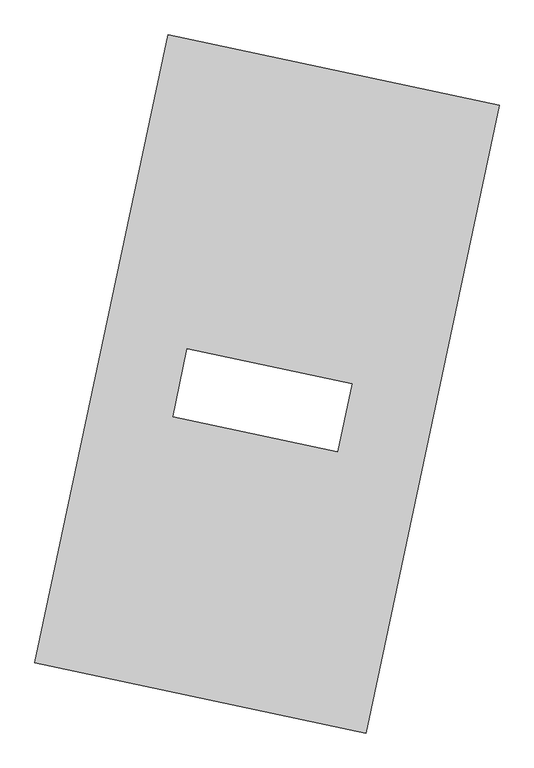
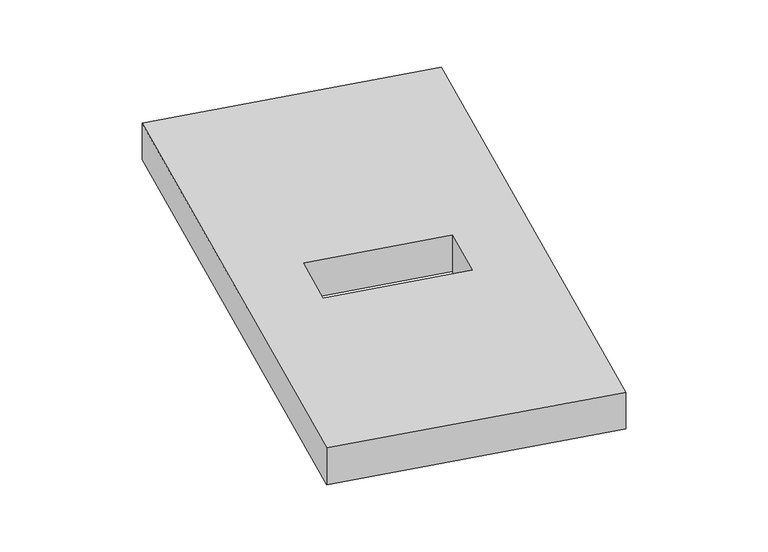
"""IFC4 building model written with IfcOpenShell, lengths in millimetres: proxy geometry."""

from ifc_helpers import new_model, si_unit, origin, origin_with_axes, place, context, project, spatial, polyline, outline, extrude, source, transform, mapped, element, save


def generic_models_9fefc5b2(model_context):
    return source(origin(), model_context, "Body", "SweptSolid", [
        extrude(outline(polyline([(-617.3692021, 2175.5580432), (1447.7508745, 1737.3010494), (617.3692021, -2175.5580432), (-1447.7508745, -1737.3010494), (-617.3692021, 2175.5580432)]), holes=[polyline([(529.7070227, 0.4233726), (-497.1760061, 218.3471022), (-587.0556705, -205.1767713), (439.8273583, -423.1005008), (529.7070227, 0.4233726)])]), origin_with_axes(), (0.0, 0.0, 1.0), 300.0),
    ])


if __name__ == "__main__":
    model = new_model("IFC4")
    model_context = context("Model", 3, world=origin())
    ifc_project = project(units=[si_unit("LENGTHUNIT", "METRE", prefix="MILLI")], contexts=[model_context])
    site = spatial("IfcSite", under=ifc_project)
    building = spatial("IfcBuilding", under=site)
    placement = place(None, origin())
    generic_models_shape = generic_models_9fefc5b2(model_context)
    element("IfcBuildingElementProxy", 1, Name="Generic Models", at=placement, inside=building, context=model_context, shape_type="MappedRepresentation", body=[
        mapped(generic_models_shape, transform((0.0, 0.0, 0.0), x_axis=(1.0, 0.0, 0.0), y_axis=(0.0, 1.0, 0.0), z_axis=(0.0, 0.0, 1.0))),
    ])
    save(model, "model.ifc")
